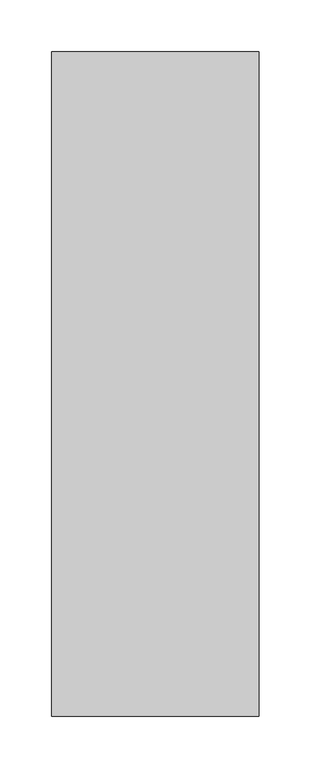
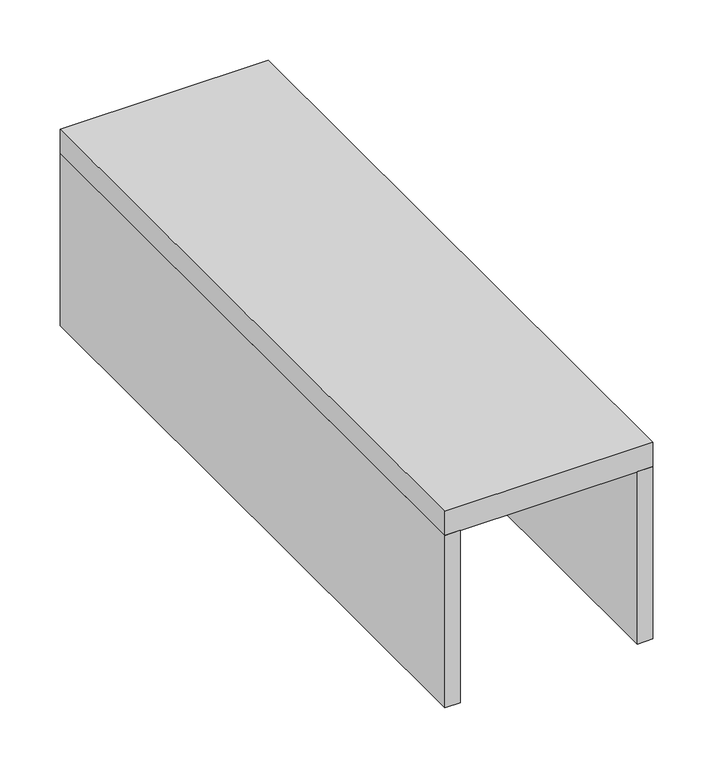
"""IFC4 building model written with IfcOpenShell, lengths in millimetres: beam geometry."""

from ifc_helpers import new_model, si_unit, frame, origin, place, context, project, spatial, polyline, outline, extrude, source, transform, mapped, element, save


def beam_5f4463b8(model_context):
    return source(origin(), model_context, "Body", "SweptSolid", [
        extrude(outline(polyline([(-1164.1527719, -1636.1219314), (-1179.1527719, -1636.1219314), (-1179.1527719, -996.1219314), (-1164.1527719, -996.1219314), (-1164.1527719, -1636.1219314)])), frame((0.0, 0.0, 9.999841), z_axis=(0.0, 0.0, 1.0), x_axis=(1.0, 0.0, 0.0)), (0.0, 0.0, 1.0), 175.000007),
        extrude(outline(polyline([(-979.1527719, -1636.1219314), (-994.1527719, -1636.1219314), (-994.1527719, -996.1219314), (-979.1527719, -996.1219314), (-979.1527719, -1636.1219314)])), frame((0.0, 0.0, 9.999841), z_axis=(0.0, 0.0, 1.0), x_axis=(1.0, 0.0, 0.0)), (0.0, 0.0, 1.0), 175.000007),
        extrude(outline(polyline([(-979.1527719, -1636.1219314), (-1179.1527719, -1636.1219314), (-1179.1527719, -996.1219314), (-979.1527719, -996.1219314), (-979.1527719, -1636.1219314)])), frame((0.0, 0.0, 184.999848), z_axis=(0.0, 0.0, 1.0), x_axis=(1.0, 0.0, 0.0)), (0.0, 0.0, 1.0), 25.000006),
    ])


if __name__ == "__main__":
    model = new_model("IFC4")
    model_context = context("Model", 3, world=origin())
    ifc_project = project(units=[si_unit("LENGTHUNIT", "METRE", prefix="MILLI")], contexts=[model_context])
    site = spatial("IfcSite", under=ifc_project)
    building = spatial("IfcBuilding", under=site)
    placement = place(None, origin())
    beam_shape = beam_5f4463b8(model_context)
    element("IfcBeam", 1, at=placement, inside=building, context=model_context, shape_type="MappedRepresentation", body=[
        mapped(beam_shape, transform((0.0, 0.0, 0.0), x_axis=(1.0, 0.0, 0.0), y_axis=(0.0, 1.0, 0.0), z_axis=(0.0, 0.0, 1.0))),
    ])
    save(model, "model.ifc")
